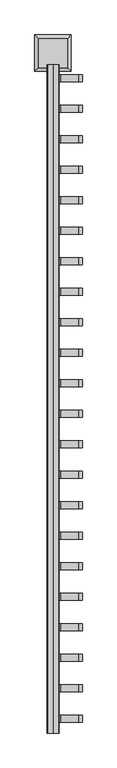
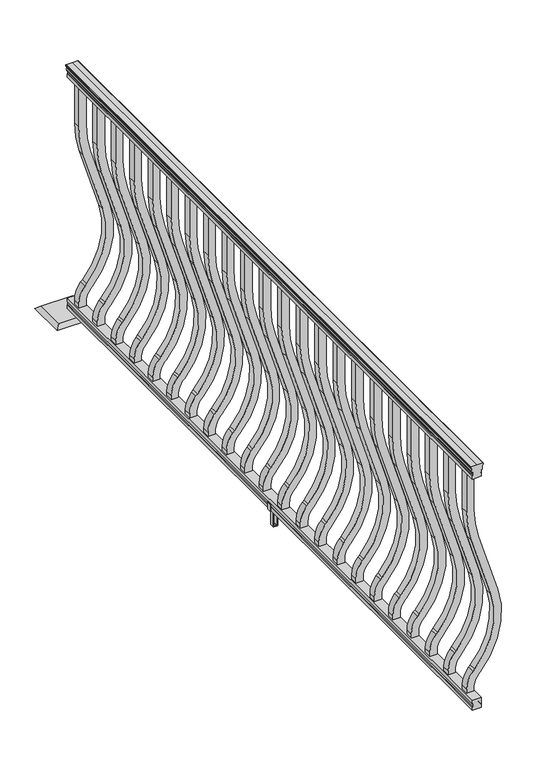
"""IFC4 building model written with IfcOpenShell, lengths in millimetres: railing geometry."""

from ifc_helpers import new_model, si_unit, point, frame, frame_2d, origin, place, context, project, spatial, polyline, circle_curve, trimmed, segment, composite_curve, outline, extrude, faceted_brep, source, transform, mapped, element, save


def railing_c321c30a(model_context):
    return source(origin(), model_context, "Body", "SolidModel", [
        extrude(outline(composite_curve([segment(polyline([(938.4043297, 817.3789699), (940.292412, 817.3789699)]), True, "CONTINUOUS"), segment(trimmed(circle_curve(frame_2d((946.0506383, 811.0642167)), 8.545951), [point((940.292412, 817.3789699))], [point((941.8546695, 818.5091562))], False, "CARTESIAN"), True, "CONTINUOUS"), segment(trimmed(circle_curve(frame_2d((945.4636577, 811.5012796)), 7.882584), [point((941.8546695, 818.5091562))], [point((949.0726458, 818.5091562))], False, "CARTESIAN"), True, "CONTINUOUS"), segment(trimmed(circle_curve(frame_2d((951.3112527, 822.0146037)), 4.1592695), [point((949.0726458, 818.5091562))], [point((951.5060812, 817.8598998))], True, "CARTESIAN"), True, "CONTINUOUS"), segment(trimmed(circle_curve(frame_2d((951.2508864, 823.3019103)), 5.4479907), [point((951.5060812, 817.8598998))], [point((955.8362083, 820.3598998))], True, "CARTESIAN"), True, "CONTINUOUS"), segment(trimmed(circle_curve(frame_2d((955.833395, 822.0687519)), 1.7088543), [point((955.8362083, 820.3598998))], [point((957.5157972, 821.7692423))], True, "CARTESIAN"), True, "CONTINUOUS"), segment(trimmed(circle_curve(frame_2d((958.6205318, 820.4518518)), 1.7192895), [point((957.5157972, 821.7692423))], [point((958.6205318, 822.1711413))], False, "CARTESIAN"), True, "CONTINUOUS"), segment(polyline([(958.6205318, 822.1711413), (959.9608158, 822.1711412)]), True, "CONTINUOUS"), segment(trimmed(circle_curve(frame_2d((959.9608158, 820.617694)), 1.5534472), [point((959.9608158, 822.1711412))], [point((961.514263, 820.617694))], False, "CARTESIAN"), True, "CONTINUOUS"), segment(polyline([(961.514263, 820.617694), (961.514263, 799.9461412), (961.514263, 779.2745884)]), True, "CONTINUOUS"), segment(trimmed(circle_curve(frame_2d((959.9608158, 779.2745884)), 1.5534472), [point((961.514263, 779.2745884))], [point((959.9608158, 777.7211412))], False, "CARTESIAN"), True, "CONTINUOUS"), segment(polyline([(959.9608158, 777.7211412), (958.6205318, 777.7211412)]), True, "CONTINUOUS"), segment(trimmed(circle_curve(frame_2d((958.6205318, 779.4404306)), 1.7192895), [point((958.6205318, 777.7211412))], [point((957.5157972, 778.1230401))], False, "CARTESIAN"), True, "CONTINUOUS"), segment(trimmed(circle_curve(frame_2d((955.833395, 777.8235305)), 1.7088543), [point((957.5157972, 778.1230401))], [point((955.8362083, 779.5323826))], True, "CARTESIAN"), True, "CONTINUOUS"), segment(trimmed(circle_curve(frame_2d((951.2508864, 776.5903721)), 5.4479907), [point((955.8362083, 779.5323826))], [point((951.5060812, 782.0323826))], True, "CARTESIAN"), True, "CONTINUOUS"), segment(trimmed(circle_curve(frame_2d((951.3112527, 777.8776786)), 4.1592695), [point((951.5060812, 782.0323826))], [point((949.0726458, 781.3831262))], True, "CARTESIAN"), True, "CONTINUOUS"), segment(trimmed(circle_curve(frame_2d((945.4636577, 788.3910028)), 7.882584), [point((949.0726458, 781.3831262))], [point((941.8546695, 781.3831262))], False, "CARTESIAN"), True, "CONTINUOUS"), segment(trimmed(circle_curve(frame_2d((946.0506383, 788.8280657)), 8.545951), [point((941.8546695, 781.3831262))], [point((940.292412, 782.5133125))], False, "CARTESIAN"), True, "CONTINUOUS"), segment(polyline([(940.292412, 782.5133125), (938.4043297, 782.5133125)]), True, "CONTINUOUS"), segment(trimmed(circle_curve(frame_2d((938.4043297, 783.8002268)), 1.2869144), [point((938.4043297, 782.5133125))], [point((938.4043297, 785.0871412))], False, "CARTESIAN"), True, "CONTINUOUS"), segment(polyline([(938.4043297, 785.0871412), (927.9048283, 785.0871412), (926.8888283, 784.0711412), (914.4, 784.0711412), (914.4, 815.8211412), (926.731013, 815.8211412), (927.747013, 814.8051412), (938.4043297, 814.8051412)]), True, "CONTINUOUS"), segment(trimmed(circle_curve(frame_2d((938.4043297, 816.0920556)), 1.2869144), [point((938.4043297, 814.8051412))], [point((938.4043297, 817.3789699))], False, "CARTESIAN"), True, "CONTINUOUS")], self_intersect=False)), frame((0.0, -43659.0786705, 0.0), z_axis=(0.0, 1.0, 0.0), x_axis=(0.0, 0.0, 1.0)), (0.0, 0.0, 1.0), 2438.4),
        extrude(outline(polyline([(76.0541976, 815.8586281), (77.3546183, 814.8426281), (87.7141717, 814.8426281), (89.0624492, 815.8586281), (101.5958781, 815.8586281), (101.5958781, 784.1086281), (89.0458024, 784.1086281), (87.6975248, 785.1246281), (77.3858283, 785.1246281), (76.0375508, 784.1086281), (63.5, 784.1086281), (63.5, 815.8586281), (76.0541976, 815.8586281)])), frame((0.0, -43659.0786705, 0.0), z_axis=(0.0, 1.0, 0.0), x_axis=(0.0, 0.0, 1.0)), (0.0, 0.0, 1.0), 2438.4),
        extrude(outline(composite_curve([segment(polyline([(768.63216, 812.6461412), (914.4, 812.6461412), (914.4, 787.2461412), (768.63216, 787.2461412)]), True, "CONTINUOUS"), segment(trimmed(circle_curve(frame_2d((768.63216, 1159.9461412)), 372.7), [point((768.63216, 787.2461412))], [point((659.6652257, 803.5313587))], False, "CARTESIAN"), True, "CONTINUOUS"), segment(polyline([(659.6652257, 803.5313587), (437.8121964, 871.3586365)]), True, "CONTINUOUS"), segment(trimmed(circle_curve(frame_2d((359.6612397, 615.7383752)), 267.3), [point((437.8121964, 871.3586365))], [point((181.5522516, 815.053398))], True, "CARTESIAN"), True, "CONTINUOUS"), segment(polyline([(181.5522516, 815.053398), (175.3955374, 809.5517248)]), True, "CONTINUOUS"), segment(trimmed(circle_curve(frame_2d((116.9587313, 874.9461412)), 87.7), [point((175.3955374, 809.5517248))], [point((116.9587313, 787.2461412))], False, "CARTESIAN"), True, "CONTINUOUS"), segment(polyline([(116.9587313, 787.2461412), (101.5958781, 787.2461412), (101.5958781, 812.6461412), (116.9587313, 812.6461412)]), True, "CONTINUOUS"), segment(trimmed(circle_curve(frame_2d((116.9587313, 874.9461412)), 62.3), [point((116.9587313, 812.6461412))], [point((158.4708524, 828.4914988))], True, "CARTESIAN"), True, "CONTINUOUS"), segment(polyline([(158.4708524, 828.4914988), (164.6275666, 833.993172)]), True, "CONTINUOUS"), segment(trimmed(circle_curve(frame_2d((359.6612397, 615.7383752)), 292.7), [point((164.6275666, 833.993172))], [point((445.2384377, 895.6487773))], False, "CARTESIAN"), True, "CONTINUOUS"), segment(polyline([(445.2384377, 895.6487773), (667.091467, 827.8214995)]), True, "CONTINUOUS"), segment(trimmed(circle_curve(frame_2d((768.63216, 1159.9461412)), 347.3), [point((667.091467, 827.8214995))], [point((768.63216, 812.6461412))], True, "CARTESIAN"), True, "CONTINUOUS")], self_intersect=False)), frame((0.0, -41283.1626705, 0.0), z_axis=(0.0, 1.0, 0.0), x_axis=(0.0, 0.0, 1.0)), (0.0, 0.0, 1.0), 25.4),
        extrude(outline(composite_curve([segment(polyline([(768.63216, 812.6461412), (914.4, 812.6461412), (914.4, 787.2461412), (768.63216, 787.2461412)]), True, "CONTINUOUS"), segment(trimmed(circle_curve(frame_2d((768.63216, 1159.9461412)), 372.7), [point((768.63216, 787.2461412))], [point((659.6652257, 803.5313587))], False, "CARTESIAN"), True, "CONTINUOUS"), segment(polyline([(659.6652257, 803.5313587), (437.8121964, 871.3586365)]), True, "CONTINUOUS"), segment(trimmed(circle_curve(frame_2d((359.6612397, 615.7383752)), 267.3), [point((437.8121964, 871.3586365))], [point((181.5522516, 815.053398))], True, "CARTESIAN"), True, "CONTINUOUS"), segment(polyline([(181.5522516, 815.053398), (175.3955374, 809.5517248)]), True, "CONTINUOUS"), segment(trimmed(circle_curve(frame_2d((116.9587313, 874.9461412)), 87.7), [point((175.3955374, 809.5517248))], [point((116.9587313, 787.2461412))], False, "CARTESIAN"), True, "CONTINUOUS"), segment(polyline([(116.9587313, 787.2461412), (101.5958781, 787.2461412), (101.5958781, 812.6461412), (116.9587313, 812.6461412)]), True, "CONTINUOUS"), segment(trimmed(circle_curve(frame_2d((116.9587313, 874.9461412)), 62.3), [point((116.9587313, 812.6461412))], [point((158.4708524, 828.4914988))], True, "CARTESIAN"), True, "CONTINUOUS"), segment(polyline([(158.4708524, 828.4914988), (164.6275666, 833.993172)]), True, "CONTINUOUS"), segment(trimmed(circle_curve(frame_2d((359.6612397, 615.7383752)), 292.7), [point((164.6275666, 833.993172))], [point((445.2384377, 895.6487773))], False, "CARTESIAN"), True, "CONTINUOUS"), segment(polyline([(445.2384377, 895.6487773), (667.091467, 827.8214995)]), True, "CONTINUOUS"), segment(trimmed(circle_curve(frame_2d((768.63216, 1159.9461412)), 347.3), [point((667.091467, 827.8214995))], [point((768.63216, 812.6461412))], True, "CARTESIAN"), True, "CONTINUOUS")], self_intersect=False)), frame((0.0, -41394.4146705, 0.0), z_axis=(0.0, 1.0, 0.0), x_axis=(0.0, 0.0, 1.0)), (0.0, 0.0, 1.0), 25.4),
        extrude(outline(composite_curve([segment(polyline([(768.63216, 812.6461412), (914.4, 812.6461412), (914.4, 787.2461412), (768.63216, 787.2461412)]), True, "CONTINUOUS"), segment(trimmed(circle_curve(frame_2d((768.63216, 1159.9461412)), 372.7), [point((768.63216, 787.2461412))], [point((659.6652257, 803.5313587))], False, "CARTESIAN"), True, "CONTINUOUS"), segment(polyline([(659.6652257, 803.5313587), (437.8121964, 871.3586365)]), True, "CONTINUOUS"), segment(trimmed(circle_curve(frame_2d((359.6612397, 615.7383752)), 267.3), [point((437.8121964, 871.3586365))], [point((181.5522516, 815.053398))], True, "CARTESIAN"), True, "CONTINUOUS"), segment(polyline([(181.5522516, 815.053398), (175.3955374, 809.5517248)]), True, "CONTINUOUS"), segment(trimmed(circle_curve(frame_2d((116.9587313, 874.9461412)), 87.7), [point((175.3955374, 809.5517248))], [point((116.9587313, 787.2461412))], False, "CARTESIAN"), True, "CONTINUOUS"), segment(polyline([(116.9587313, 787.2461412), (101.5958781, 787.2461412), (101.5958781, 812.6461412), (116.9587313, 812.6461412)]), True, "CONTINUOUS"), segment(trimmed(circle_curve(frame_2d((116.9587313, 874.9461412)), 62.3), [point((116.9587313, 812.6461412))], [point((158.4708524, 828.4914988))], True, "CARTESIAN"), True, "CONTINUOUS"), segment(polyline([(158.4708524, 828.4914988), (164.6275666, 833.993172)]), True, "CONTINUOUS"), segment(trimmed(circle_curve(frame_2d((359.6612397, 615.7383752)), 292.7), [point((164.6275666, 833.993172))], [point((445.2384377, 895.6487773))], False, "CARTESIAN"), True, "CONTINUOUS"), segment(polyline([(445.2384377, 895.6487773), (667.091467, 827.8214995)]), True, "CONTINUOUS"), segment(trimmed(circle_curve(frame_2d((768.63216, 1159.9461412)), 347.3), [point((667.091467, 827.8214995))], [point((768.63216, 812.6461412))], True, "CARTESIAN"), True, "CONTINUOUS")], self_intersect=False)), frame((0.0, -41505.6666705, 0.0), z_axis=(0.0, 1.0, 0.0), x_axis=(0.0, 0.0, 1.0)), (0.0, 0.0, 1.0), 25.4),
        extrude(outline(composite_curve([segment(polyline([(768.63216, 812.6461412), (914.4, 812.6461412), (914.4, 787.2461412), (768.63216, 787.2461412)]), True, "CONTINUOUS"), segment(trimmed(circle_curve(frame_2d((768.63216, 1159.9461412)), 372.7), [point((768.63216, 787.2461412))], [point((659.6652257, 803.5313587))], False, "CARTESIAN"), True, "CONTINUOUS"), segment(polyline([(659.6652257, 803.5313587), (437.8121964, 871.3586365)]), True, "CONTINUOUS"), segment(trimmed(circle_curve(frame_2d((359.6612397, 615.7383752)), 267.3), [point((437.8121964, 871.3586365))], [point((181.5522516, 815.053398))], True, "CARTESIAN"), True, "CONTINUOUS"), segment(polyline([(181.5522516, 815.053398), (175.3955374, 809.5517248)]), True, "CONTINUOUS"), segment(trimmed(circle_curve(frame_2d((116.9587313, 874.9461412)), 87.7), [point((175.3955374, 809.5517248))], [point((116.9587313, 787.2461412))], False, "CARTESIAN"), True, "CONTINUOUS"), segment(polyline([(116.9587313, 787.2461412), (101.5958781, 787.2461412), (101.5958781, 812.6461412), (116.9587313, 812.6461412)]), True, "CONTINUOUS"), segment(trimmed(circle_curve(frame_2d((116.9587313, 874.9461412)), 62.3), [point((116.9587313, 812.6461412))], [point((158.4708524, 828.4914988))], True, "CARTESIAN"), True, "CONTINUOUS"), segment(polyline([(158.4708524, 828.4914988), (164.6275666, 833.993172)]), True, "CONTINUOUS"), segment(trimmed(circle_curve(frame_2d((359.6612397, 615.7383752)), 292.7), [point((164.6275666, 833.993172))], [point((445.2384377, 895.6487773))], False, "CARTESIAN"), True, "CONTINUOUS"), segment(polyline([(445.2384377, 895.6487773), (667.091467, 827.8214995)]), True, "CONTINUOUS"), segment(trimmed(circle_curve(frame_2d((768.63216, 1159.9461412)), 347.3), [point((667.091467, 827.8214995))], [point((768.63216, 812.6461412))], True, "CARTESIAN"), True, "CONTINUOUS")], self_intersect=False)), frame((0.0, -41616.9186705, 0.0), z_axis=(0.0, 1.0, 0.0), x_axis=(0.0, 0.0, 1.0)), (0.0, 0.0, 1.0), 25.4),
        extrude(outline(composite_curve([segment(polyline([(768.63216, 812.6461412), (914.4, 812.6461412), (914.4, 787.2461412), (768.63216, 787.2461412)]), True, "CONTINUOUS"), segment(trimmed(circle_curve(frame_2d((768.63216, 1159.9461412)), 372.7), [point((768.63216, 787.2461412))], [point((659.6652257, 803.5313587))], False, "CARTESIAN"), True, "CONTINUOUS"), segment(polyline([(659.6652257, 803.5313587), (437.8121964, 871.3586365)]), True, "CONTINUOUS"), segment(trimmed(circle_curve(frame_2d((359.6612397, 615.7383752)), 267.3), [point((437.8121964, 871.3586365))], [point((181.5522516, 815.053398))], True, "CARTESIAN"), True, "CONTINUOUS"), segment(polyline([(181.5522516, 815.053398), (175.3955374, 809.5517248)]), True, "CONTINUOUS"), segment(trimmed(circle_curve(frame_2d((116.9587313, 874.9461412)), 87.7), [point((175.3955374, 809.5517248))], [point((116.9587313, 787.2461412))], False, "CARTESIAN"), True, "CONTINUOUS"), segment(polyline([(116.9587313, 787.2461412), (101.5958781, 787.2461412), (101.5958781, 812.6461412), (116.9587313, 812.6461412)]), True, "CONTINUOUS"), segment(trimmed(circle_curve(frame_2d((116.9587313, 874.9461412)), 62.3), [point((116.9587313, 812.6461412))], [point((158.4708524, 828.4914988))], True, "CARTESIAN"), True, "CONTINUOUS"), segment(polyline([(158.4708524, 828.4914988), (164.6275666, 833.993172)]), True, "CONTINUOUS"), segment(trimmed(circle_curve(frame_2d((359.6612397, 615.7383752)), 292.7), [point((164.6275666, 833.993172))], [point((445.2384377, 895.6487773))], False, "CARTESIAN"), True, "CONTINUOUS"), segment(polyline([(445.2384377, 895.6487773), (667.091467, 827.8214995)]), True, "CONTINUOUS"), segment(trimmed(circle_curve(frame_2d((768.63216, 1159.9461412)), 347.3), [point((667.091467, 827.8214995))], [point((768.63216, 812.6461412))], True, "CARTESIAN"), True, "CONTINUOUS")], self_intersect=False)), frame((0.0, -41728.1706705, 0.0), z_axis=(0.0, 1.0, 0.0), x_axis=(0.0, 0.0, 1.0)), (0.0, 0.0, 1.0), 25.4),
        extrude(outline(composite_curve([segment(polyline([(768.63216, 812.6461412), (914.4, 812.6461412), (914.4, 787.2461412), (768.63216, 787.2461412)]), True, "CONTINUOUS"), segment(trimmed(circle_curve(frame_2d((768.63216, 1159.9461412)), 372.7), [point((768.63216, 787.2461412))], [point((659.6652257, 803.5313587))], False, "CARTESIAN"), True, "CONTINUOUS"), segment(polyline([(659.6652257, 803.5313587), (437.8121964, 871.3586365)]), True, "CONTINUOUS"), segment(trimmed(circle_curve(frame_2d((359.6612397, 615.7383752)), 267.3), [point((437.8121964, 871.3586365))], [point((181.5522516, 815.053398))], True, "CARTESIAN"), True, "CONTINUOUS"), segment(polyline([(181.5522516, 815.053398), (175.3955374, 809.5517248)]), True, "CONTINUOUS"), segment(trimmed(circle_curve(frame_2d((116.9587313, 874.9461412)), 87.7), [point((175.3955374, 809.5517248))], [point((116.9587313, 787.2461412))], False, "CARTESIAN"), True, "CONTINUOUS"), segment(polyline([(116.9587313, 787.2461412), (101.5958781, 787.2461412), (101.5958781, 812.6461412), (116.9587313, 812.6461412)]), True, "CONTINUOUS"), segment(trimmed(circle_curve(frame_2d((116.9587313, 874.9461412)), 62.3), [point((116.9587313, 812.6461412))], [point((158.4708524, 828.4914988))], True, "CARTESIAN"), True, "CONTINUOUS"), segment(polyline([(158.4708524, 828.4914988), (164.6275666, 833.993172)]), True, "CONTINUOUS"), segment(trimmed(circle_curve(frame_2d((359.6612397, 615.7383752)), 292.7), [point((164.6275666, 833.993172))], [point((445.2384377, 895.6487773))], False, "CARTESIAN"), True, "CONTINUOUS"), segment(polyline([(445.2384377, 895.6487773), (667.091467, 827.8214995)]), True, "CONTINUOUS"), segment(trimmed(circle_curve(frame_2d((768.63216, 1159.9461412)), 347.3), [point((667.091467, 827.8214995))], [point((768.63216, 812.6461412))], True, "CARTESIAN"), True, "CONTINUOUS")], self_intersect=False)), frame((0.0, -41839.4226705, 0.0), z_axis=(0.0, 1.0, 0.0), x_axis=(0.0, 0.0, 1.0)), (0.0, 0.0, 1.0), 25.4),
        extrude(outline(composite_curve([segment(polyline([(768.63216, 812.6461412), (914.4, 812.6461412), (914.4, 787.2461412), (768.63216, 787.2461412)]), True, "CONTINUOUS"), segment(trimmed(circle_curve(frame_2d((768.63216, 1159.9461412)), 372.7), [point((768.63216, 787.2461412))], [point((659.6652257, 803.5313587))], False, "CARTESIAN"), True, "CONTINUOUS"), segment(polyline([(659.6652257, 803.5313587), (437.8121964, 871.3586365)]), True, "CONTINUOUS"), segment(trimmed(circle_curve(frame_2d((359.6612397, 615.7383752)), 267.3), [point((437.8121964, 871.3586365))], [point((181.5522516, 815.053398))], True, "CARTESIAN"), True, "CONTINUOUS"), segment(polyline([(181.5522516, 815.053398), (175.3955374, 809.5517248)]), True, "CONTINUOUS"), segment(trimmed(circle_curve(frame_2d((116.9587313, 874.9461412)), 87.7), [point((175.3955374, 809.5517248))], [point((116.9587313, 787.2461412))], False, "CARTESIAN"), True, "CONTINUOUS"), segment(polyline([(116.9587313, 787.2461412), (101.5958781, 787.2461412), (101.5958781, 812.6461412), (116.9587313, 812.6461412)]), True, "CONTINUOUS"), segment(trimmed(circle_curve(frame_2d((116.9587313, 874.9461412)), 62.3), [point((116.9587313, 812.6461412))], [point((158.4708524, 828.4914988))], True, "CARTESIAN"), True, "CONTINUOUS"), segment(polyline([(158.4708524, 828.4914988), (164.6275666, 833.993172)]), True, "CONTINUOUS"), segment(trimmed(circle_curve(frame_2d((359.6612397, 615.7383752)), 292.7), [point((164.6275666, 833.993172))], [point((445.2384377, 895.6487773))], False, "CARTESIAN"), True, "CONTINUOUS"), segment(polyline([(445.2384377, 895.6487773), (667.091467, 827.8214995)]), True, "CONTINUOUS"), segment(trimmed(circle_curve(frame_2d((768.63216, 1159.9461412)), 347.3), [point((667.091467, 827.8214995))], [point((768.63216, 812.6461412))], True, "CARTESIAN"), True, "CONTINUOUS")], self_intersect=False)), frame((0.0, -41950.6746705, 0.0), z_axis=(0.0, 1.0, 0.0), x_axis=(0.0, 0.0, 1.0)), (0.0, 0.0, 1.0), 25.4),
        extrude(outline(composite_curve([segment(polyline([(768.63216, 812.6461412), (914.4, 812.6461412), (914.4, 787.2461412), (768.63216, 787.2461412)]), True, "CONTINUOUS"), segment(trimmed(circle_curve(frame_2d((768.63216, 1159.9461412)), 372.7), [point((768.63216, 787.2461412))], [point((659.6652257, 803.5313587))], False, "CARTESIAN"), True, "CONTINUOUS"), segment(polyline([(659.6652257, 803.5313587), (437.8121964, 871.3586365)]), True, "CONTINUOUS"), segment(trimmed(circle_curve(frame_2d((359.6612397, 615.7383752)), 267.3), [point((437.8121964, 871.3586365))], [point((181.5522516, 815.053398))], True, "CARTESIAN"), True, "CONTINUOUS"), segment(polyline([(181.5522516, 815.053398), (175.3955374, 809.5517248)]), True, "CONTINUOUS"), segment(trimmed(circle_curve(frame_2d((116.9587313, 874.9461412)), 87.7), [point((175.3955374, 809.5517248))], [point((116.9587313, 787.2461412))], False, "CARTESIAN"), True, "CONTINUOUS"), segment(polyline([(116.9587313, 787.2461412), (101.5958781, 787.2461412), (101.5958781, 812.6461412), (116.9587313, 812.6461412)]), True, "CONTINUOUS"), segment(trimmed(circle_curve(frame_2d((116.9587313, 874.9461412)), 62.3), [point((116.9587313, 812.6461412))], [point((158.4708524, 828.4914988))], True, "CARTESIAN"), True, "CONTINUOUS"), segment(polyline([(158.4708524, 828.4914988), (164.6275666, 833.993172)]), True, "CONTINUOUS"), segment(trimmed(circle_curve(frame_2d((359.6612397, 615.7383752)), 292.7), [point((164.6275666, 833.993172))], [point((445.2384377, 895.6487773))], False, "CARTESIAN"), True, "CONTINUOUS"), segment(polyline([(445.2384377, 895.6487773), (667.091467, 827.8214995)]), True, "CONTINUOUS"), segment(trimmed(circle_curve(frame_2d((768.63216, 1159.9461412)), 347.3), [point((667.091467, 827.8214995))], [point((768.63216, 812.6461412))], True, "CARTESIAN"), True, "CONTINUOUS")], self_intersect=False)), frame((0.0, -42061.9266705, 0.0), z_axis=(0.0, 1.0, 0.0), x_axis=(0.0, 0.0, 1.0)), (0.0, 0.0, 1.0), 25.4),
        extrude(outline(composite_curve([segment(polyline([(768.63216, 812.6461412), (914.4, 812.6461412), (914.4, 787.2461412), (768.63216, 787.2461412)]), True, "CONTINUOUS"), segment(trimmed(circle_curve(frame_2d((768.63216, 1159.9461412)), 372.7), [point((768.63216, 787.2461412))], [point((659.6652257, 803.5313587))], False, "CARTESIAN"), True, "CONTINUOUS"), segment(polyline([(659.6652257, 803.5313587), (437.8121964, 871.3586365)]), True, "CONTINUOUS"), segment(trimmed(circle_curve(frame_2d((359.6612397, 615.7383752)), 267.3), [point((437.8121964, 871.3586365))], [point((181.5522516, 815.053398))], True, "CARTESIAN"), True, "CONTINUOUS"), segment(polyline([(181.5522516, 815.053398), (175.3955374, 809.5517248)]), True, "CONTINUOUS"), segment(trimmed(circle_curve(frame_2d((116.9587313, 874.9461412)), 87.7), [point((175.3955374, 809.5517248))], [point((116.9587313, 787.2461412))], False, "CARTESIAN"), True, "CONTINUOUS"), segment(polyline([(116.9587313, 787.2461412), (101.5958781, 787.2461412), (101.5958781, 812.6461412), (116.9587313, 812.6461412)]), True, "CONTINUOUS"), segment(trimmed(circle_curve(frame_2d((116.9587313, 874.9461412)), 62.3), [point((116.9587313, 812.6461412))], [point((158.4708524, 828.4914988))], True, "CARTESIAN"), True, "CONTINUOUS"), segment(polyline([(158.4708524, 828.4914988), (164.6275666, 833.993172)]), True, "CONTINUOUS"), segment(trimmed(circle_curve(frame_2d((359.6612397, 615.7383752)), 292.7), [point((164.6275666, 833.993172))], [point((445.2384377, 895.6487773))], False, "CARTESIAN"), True, "CONTINUOUS"), segment(polyline([(445.2384377, 895.6487773), (667.091467, 827.8214995)]), True, "CONTINUOUS"), segment(trimmed(circle_curve(frame_2d((768.63216, 1159.9461412)), 347.3), [point((667.091467, 827.8214995))], [point((768.63216, 812.6461412))], True, "CARTESIAN"), True, "CONTINUOUS")], self_intersect=False)), frame((0.0, -42173.1786705, 0.0), z_axis=(0.0, 1.0, 0.0), x_axis=(0.0, 0.0, 1.0)), (0.0, 0.0, 1.0), 25.4),
        extrude(outline(composite_curve([segment(polyline([(768.63216, 812.6461412), (914.4, 812.6461412), (914.4, 787.2461412), (768.63216, 787.2461412)]), True, "CONTINUOUS"), segment(trimmed(circle_curve(frame_2d((768.63216, 1159.9461412)), 372.7), [point((768.63216, 787.2461412))], [point((659.6652257, 803.5313587))], False, "CARTESIAN"), True, "CONTINUOUS"), segment(polyline([(659.6652257, 803.5313587), (437.8121964, 871.3586365)]), True, "CONTINUOUS"), segment(trimmed(circle_curve(frame_2d((359.6612397, 615.7383752)), 267.3), [point((437.8121964, 871.3586365))], [point((181.5522516, 815.053398))], True, "CARTESIAN"), True, "CONTINUOUS"), segment(polyline([(181.5522516, 815.053398), (175.3955374, 809.5517248)]), True, "CONTINUOUS"), segment(trimmed(circle_curve(frame_2d((116.9587313, 874.9461412)), 87.7), [point((175.3955374, 809.5517248))], [point((116.9587313, 787.2461412))], False, "CARTESIAN"), True, "CONTINUOUS"), segment(polyline([(116.9587313, 787.2461412), (101.5958781, 787.2461412), (101.5958781, 812.6461412), (116.9587313, 812.6461412)]), True, "CONTINUOUS"), segment(trimmed(circle_curve(frame_2d((116.9587313, 874.9461412)), 62.3), [point((116.9587313, 812.6461412))], [point((158.4708524, 828.4914988))], True, "CARTESIAN"), True, "CONTINUOUS"), segment(polyline([(158.4708524, 828.4914988), (164.6275666, 833.993172)]), True, "CONTINUOUS"), segment(trimmed(circle_curve(frame_2d((359.6612397, 615.7383752)), 292.7), [point((164.6275666, 833.993172))], [point((445.2384377, 895.6487773))], False, "CARTESIAN"), True, "CONTINUOUS"), segment(polyline([(445.2384377, 895.6487773), (667.091467, 827.8214995)]), True, "CONTINUOUS"), segment(trimmed(circle_curve(frame_2d((768.63216, 1159.9461412)), 347.3), [point((667.091467, 827.8214995))], [point((768.63216, 812.6461412))], True, "CARTESIAN"), True, "CONTINUOUS")], self_intersect=False)), frame((0.0, -42284.4306705, 0.0), z_axis=(0.0, 1.0, 0.0), x_axis=(0.0, 0.0, 1.0)), (0.0, 0.0, 1.0), 25.4),
        extrude(outline(composite_curve([segment(polyline([(768.63216, 812.6461412), (914.4, 812.6461412), (914.4, 787.2461412), (768.63216, 787.2461412)]), True, "CONTINUOUS"), segment(trimmed(circle_curve(frame_2d((768.63216, 1159.9461412)), 372.7), [point((768.63216, 787.2461412))], [point((659.6652257, 803.5313587))], False, "CARTESIAN"), True, "CONTINUOUS"), segment(polyline([(659.6652257, 803.5313587), (437.8121964, 871.3586365)]), True, "CONTINUOUS"), segment(trimmed(circle_curve(frame_2d((359.6612397, 615.7383752)), 267.3), [point((437.8121964, 871.3586365))], [point((181.5522516, 815.053398))], True, "CARTESIAN"), True, "CONTINUOUS"), segment(polyline([(181.5522516, 815.053398), (175.3955374, 809.5517248)]), True, "CONTINUOUS"), segment(trimmed(circle_curve(frame_2d((116.9587313, 874.9461412)), 87.7), [point((175.3955374, 809.5517248))], [point((116.9587313, 787.2461412))], False, "CARTESIAN"), True, "CONTINUOUS"), segment(polyline([(116.9587313, 787.2461412), (101.5958781, 787.2461412), (101.5958781, 812.6461412), (116.9587313, 812.6461412)]), True, "CONTINUOUS"), segment(trimmed(circle_curve(frame_2d((116.9587313, 874.9461412)), 62.3), [point((116.9587313, 812.6461412))], [point((158.4708524, 828.4914988))], True, "CARTESIAN"), True, "CONTINUOUS"), segment(polyline([(158.4708524, 828.4914988), (164.6275666, 833.993172)]), True, "CONTINUOUS"), segment(trimmed(circle_curve(frame_2d((359.6612397, 615.7383752)), 292.7), [point((164.6275666, 833.993172))], [point((445.2384377, 895.6487773))], False, "CARTESIAN"), True, "CONTINUOUS"), segment(polyline([(445.2384377, 895.6487773), (667.091467, 827.8214995)]), True, "CONTINUOUS"), segment(trimmed(circle_curve(frame_2d((768.63216, 1159.9461412)), 347.3), [point((667.091467, 827.8214995))], [point((768.63216, 812.6461412))], True, "CARTESIAN"), True, "CONTINUOUS")], self_intersect=False)), frame((0.0, -42395.6826705, 0.0), z_axis=(0.0, 1.0, 0.0), x_axis=(0.0, 0.0, 1.0)), (0.0, 0.0, 1.0), 25.4),
        extrude(outline(polyline([(88.7203979, 781.7851424), (87.9583969, 781.0231413), (61.4680023, 781.0231413), (60.7060013, 781.7851424), (60.7060013, 791.8181414), (59.9440012, 792.5801415), (0.7620001, 792.5801415), (0.0, 793.3421416), (0.0, 806.5501408), (0.762001, 807.3121419), (59.9440012, 807.3121419), (60.7060013, 808.0741419), (60.7060013, 818.107141), (61.4680023, 818.869142), (87.9583969, 818.869142), (88.7203979, 818.107141), (88.7203979, 816.0751414), (87.7043953, 815.0591416), (77.2686081, 815.0591416), (76.2526073, 816.0751414), (64.262001, 816.0751414), (63.5000019, 815.3131423), (63.5000019, 784.5791411), (64.262001, 783.817142), (76.2526073, 783.817142), (77.2686081, 784.8331418), (87.7043953, 784.8331418), (88.7203979, 783.817142), (88.7203979, 781.7851424)]), holes=[polyline([(60.7060013, 803.3751416), (59.9440012, 804.1371417), (3.9370031, 804.1371417), (3.1750031, 803.3751416), (3.1750031, 796.5171389), (3.9370003, 795.7551417), (59.9440012, 795.7551417), (60.7060013, 796.5171418), (60.7060013, 803.3751416)])]), frame((0.0, -42445.9746705, 0.0), z_axis=(0.0, 1.0, 0.0), x_axis=(0.0, 0.0, 1.0)), (0.0, 0.0, 1.0), 14.732),
        extrude(outline(composite_curve([segment(polyline([(768.63216, 812.6461412), (914.4, 812.6461412), (914.4, 787.2461412), (768.63216, 787.2461412)]), True, "CONTINUOUS"), segment(trimmed(circle_curve(frame_2d((768.63216, 1159.9461412)), 372.7), [point((768.63216, 787.2461412))], [point((659.6652257, 803.5313587))], False, "CARTESIAN"), True, "CONTINUOUS"), segment(polyline([(659.6652257, 803.5313587), (437.8121964, 871.3586365)]), True, "CONTINUOUS"), segment(trimmed(circle_curve(frame_2d((359.6612397, 615.7383752)), 267.3), [point((437.8121964, 871.3586365))], [point((181.5522516, 815.053398))], True, "CARTESIAN"), True, "CONTINUOUS"), segment(polyline([(181.5522516, 815.053398), (175.3955374, 809.5517248)]), True, "CONTINUOUS"), segment(trimmed(circle_curve(frame_2d((116.9587313, 874.9461412)), 87.7), [point((175.3955374, 809.5517248))], [point((116.9587313, 787.2461412))], False, "CARTESIAN"), True, "CONTINUOUS"), segment(polyline([(116.9587313, 787.2461412), (101.5958781, 787.2461412), (101.5958781, 812.6461412), (116.9587313, 812.6461412)]), True, "CONTINUOUS"), segment(trimmed(circle_curve(frame_2d((116.9587313, 874.9461412)), 62.3), [point((116.9587313, 812.6461412))], [point((158.4708524, 828.4914988))], True, "CARTESIAN"), True, "CONTINUOUS"), segment(polyline([(158.4708524, 828.4914988), (164.6275666, 833.993172)]), True, "CONTINUOUS"), segment(trimmed(circle_curve(frame_2d((359.6612397, 615.7383752)), 292.7), [point((164.6275666, 833.993172))], [point((445.2384377, 895.6487773))], False, "CARTESIAN"), True, "CONTINUOUS"), segment(polyline([(445.2384377, 895.6487773), (667.091467, 827.8214995)]), True, "CONTINUOUS"), segment(trimmed(circle_curve(frame_2d((768.63216, 1159.9461412)), 347.3), [point((667.091467, 827.8214995))], [point((768.63216, 812.6461412))], True, "CARTESIAN"), True, "CONTINUOUS")], self_intersect=False)), frame((0.0, -42506.9346705, 0.0), z_axis=(0.0, 1.0, 0.0), x_axis=(0.0, 0.0, 1.0)), (0.0, 0.0, 1.0), 25.4),
        extrude(outline(composite_curve([segment(polyline([(768.63216, 812.6461412), (914.4, 812.6461412), (914.4, 787.2461412), (768.63216, 787.2461412)]), True, "CONTINUOUS"), segment(trimmed(circle_curve(frame_2d((768.63216, 1159.9461412)), 372.7), [point((768.63216, 787.2461412))], [point((659.6652257, 803.5313587))], False, "CARTESIAN"), True, "CONTINUOUS"), segment(polyline([(659.6652257, 803.5313587), (437.8121964, 871.3586365)]), True, "CONTINUOUS"), segment(trimmed(circle_curve(frame_2d((359.6612397, 615.7383752)), 267.3), [point((437.8121964, 871.3586365))], [point((181.5522516, 815.053398))], True, "CARTESIAN"), True, "CONTINUOUS"), segment(polyline([(181.5522516, 815.053398), (175.3955374, 809.5517248)]), True, "CONTINUOUS"), segment(trimmed(circle_curve(frame_2d((116.9587313, 874.9461412)), 87.7), [point((175.3955374, 809.5517248))], [point((116.9587313, 787.2461412))], False, "CARTESIAN"), True, "CONTINUOUS"), segment(polyline([(116.9587313, 787.2461412), (101.5958781, 787.2461412), (101.5958781, 812.6461412), (116.9587313, 812.6461412)]), True, "CONTINUOUS"), segment(trimmed(circle_curve(frame_2d((116.9587313, 874.9461412)), 62.3), [point((116.9587313, 812.6461412))], [point((158.4708524, 828.4914988))], True, "CARTESIAN"), True, "CONTINUOUS"), segment(polyline([(158.4708524, 828.4914988), (164.6275666, 833.993172)]), True, "CONTINUOUS"), segment(trimmed(circle_curve(frame_2d((359.6612397, 615.7383752)), 292.7), [point((164.6275666, 833.993172))], [point((445.2384377, 895.6487773))], False, "CARTESIAN"), True, "CONTINUOUS"), segment(polyline([(445.2384377, 895.6487773), (667.091467, 827.8214995)]), True, "CONTINUOUS"), segment(trimmed(circle_curve(frame_2d((768.63216, 1159.9461412)), 347.3), [point((667.091467, 827.8214995))], [point((768.63216, 812.6461412))], True, "CARTESIAN"), True, "CONTINUOUS")], self_intersect=False)), frame((0.0, -42618.1866705, 0.0), z_axis=(0.0, 1.0, 0.0), x_axis=(0.0, 0.0, 1.0)), (0.0, 0.0, 1.0), 25.4),
        extrude(outline(composite_curve([segment(polyline([(768.63216, 812.6461412), (914.4, 812.6461412), (914.4, 787.2461412), (768.63216, 787.2461412)]), True, "CONTINUOUS"), segment(trimmed(circle_curve(frame_2d((768.63216, 1159.9461412)), 372.7), [point((768.63216, 787.2461412))], [point((659.6652257, 803.5313587))], False, "CARTESIAN"), True, "CONTINUOUS"), segment(polyline([(659.6652257, 803.5313587), (437.8121964, 871.3586365)]), True, "CONTINUOUS"), segment(trimmed(circle_curve(frame_2d((359.6612397, 615.7383752)), 267.3), [point((437.8121964, 871.3586365))], [point((181.5522516, 815.053398))], True, "CARTESIAN"), True, "CONTINUOUS"), segment(polyline([(181.5522516, 815.053398), (175.3955374, 809.5517248)]), True, "CONTINUOUS"), segment(trimmed(circle_curve(frame_2d((116.9587313, 874.9461412)), 87.7), [point((175.3955374, 809.5517248))], [point((116.9587313, 787.2461412))], False, "CARTESIAN"), True, "CONTINUOUS"), segment(polyline([(116.9587313, 787.2461412), (101.5958781, 787.2461412), (101.5958781, 812.6461412), (116.9587313, 812.6461412)]), True, "CONTINUOUS"), segment(trimmed(circle_curve(frame_2d((116.9587313, 874.9461412)), 62.3), [point((116.9587313, 812.6461412))], [point((158.4708524, 828.4914988))], True, "CARTESIAN"), True, "CONTINUOUS"), segment(polyline([(158.4708524, 828.4914988), (164.6275666, 833.993172)]), True, "CONTINUOUS"), segment(trimmed(circle_curve(frame_2d((359.6612397, 615.7383752)), 292.7), [point((164.6275666, 833.993172))], [point((445.2384377, 895.6487773))], False, "CARTESIAN"), True, "CONTINUOUS"), segment(polyline([(445.2384377, 895.6487773), (667.091467, 827.8214995)]), True, "CONTINUOUS"), segment(trimmed(circle_curve(frame_2d((768.63216, 1159.9461412)), 347.3), [point((667.091467, 827.8214995))], [point((768.63216, 812.6461412))], True, "CARTESIAN"), True, "CONTINUOUS")], self_intersect=False)), frame((0.0, -42729.4386705, 0.0), z_axis=(0.0, 1.0, 0.0), x_axis=(0.0, 0.0, 1.0)), (0.0, 0.0, 1.0), 25.4),
        extrude(outline(composite_curve([segment(polyline([(768.63216, 812.6461412), (914.4, 812.6461412), (914.4, 787.2461412), (768.63216, 787.2461412)]), True, "CONTINUOUS"), segment(trimmed(circle_curve(frame_2d((768.63216, 1159.9461412)), 372.7), [point((768.63216, 787.2461412))], [point((659.6652257, 803.5313587))], False, "CARTESIAN"), True, "CONTINUOUS"), segment(polyline([(659.6652257, 803.5313587), (437.8121964, 871.3586365)]), True, "CONTINUOUS"), segment(trimmed(circle_curve(frame_2d((359.6612397, 615.7383752)), 267.3), [point((437.8121964, 871.3586365))], [point((181.5522516, 815.053398))], True, "CARTESIAN"), True, "CONTINUOUS"), segment(polyline([(181.5522516, 815.053398), (175.3955374, 809.5517248)]), True, "CONTINUOUS"), segment(trimmed(circle_curve(frame_2d((116.9587313, 874.9461412)), 87.7), [point((175.3955374, 809.5517248))], [point((116.9587313, 787.2461412))], False, "CARTESIAN"), True, "CONTINUOUS"), segment(polyline([(116.9587313, 787.2461412), (101.5958781, 787.2461412), (101.5958781, 812.6461412), (116.9587313, 812.6461412)]), True, "CONTINUOUS"), segment(trimmed(circle_curve(frame_2d((116.9587313, 874.9461412)), 62.3), [point((116.9587313, 812.6461412))], [point((158.4708524, 828.4914988))], True, "CARTESIAN"), True, "CONTINUOUS"), segment(polyline([(158.4708524, 828.4914988), (164.6275666, 833.993172)]), True, "CONTINUOUS"), segment(trimmed(circle_curve(frame_2d((359.6612397, 615.7383752)), 292.7), [point((164.6275666, 833.993172))], [point((445.2384377, 895.6487773))], False, "CARTESIAN"), True, "CONTINUOUS"), segment(polyline([(445.2384377, 895.6487773), (667.091467, 827.8214995)]), True, "CONTINUOUS"), segment(trimmed(circle_curve(frame_2d((768.63216, 1159.9461412)), 347.3), [point((667.091467, 827.8214995))], [point((768.63216, 812.6461412))], True, "CARTESIAN"), True, "CONTINUOUS")], self_intersect=False)), frame((0.0, -42840.6906705, 0.0), z_axis=(0.0, 1.0, 0.0), x_axis=(0.0, 0.0, 1.0)), (0.0, 0.0, 1.0), 25.4),
        extrude(outline(composite_curve([segment(polyline([(768.63216, 812.6461412), (914.4, 812.6461412), (914.4, 787.2461412), (768.63216, 787.2461412)]), True, "CONTINUOUS"), segment(trimmed(circle_curve(frame_2d((768.63216, 1159.9461412)), 372.7), [point((768.63216, 787.2461412))], [point((659.6652257, 803.5313587))], False, "CARTESIAN"), True, "CONTINUOUS"), segment(polyline([(659.6652257, 803.5313587), (437.8121964, 871.3586365)]), True, "CONTINUOUS"), segment(trimmed(circle_curve(frame_2d((359.6612397, 615.7383752)), 267.3), [point((437.8121964, 871.3586365))], [point((181.5522516, 815.053398))], True, "CARTESIAN"), True, "CONTINUOUS"), segment(polyline([(181.5522516, 815.053398), (175.3955374, 809.5517248)]), True, "CONTINUOUS"), segment(trimmed(circle_curve(frame_2d((116.9587313, 874.9461412)), 87.7), [point((175.3955374, 809.5517248))], [point((116.9587313, 787.2461412))], False, "CARTESIAN"), True, "CONTINUOUS"), segment(polyline([(116.9587313, 787.2461412), (101.5958781, 787.2461412), (101.5958781, 812.6461412), (116.9587313, 812.6461412)]), True, "CONTINUOUS"), segment(trimmed(circle_curve(frame_2d((116.9587313, 874.9461412)), 62.3), [point((116.9587313, 812.6461412))], [point((158.4708524, 828.4914988))], True, "CARTESIAN"), True, "CONTINUOUS"), segment(polyline([(158.4708524, 828.4914988), (164.6275666, 833.993172)]), True, "CONTINUOUS"), segment(trimmed(circle_curve(frame_2d((359.6612397, 615.7383752)), 292.7), [point((164.6275666, 833.993172))], [point((445.2384377, 895.6487773))], False, "CARTESIAN"), True, "CONTINUOUS"), segment(polyline([(445.2384377, 895.6487773), (667.091467, 827.8214995)]), True, "CONTINUOUS"), segment(trimmed(circle_curve(frame_2d((768.63216, 1159.9461412)), 347.3), [point((667.091467, 827.8214995))], [point((768.63216, 812.6461412))], True, "CARTESIAN"), True, "CONTINUOUS")], self_intersect=False)), frame((0.0, -42951.9426705, 0.0), z_axis=(0.0, 1.0, 0.0), x_axis=(0.0, 0.0, 1.0)), (0.0, 0.0, 1.0), 25.4),
        extrude(outline(composite_curve([segment(polyline([(768.63216, 812.6461412), (914.4, 812.6461412), (914.4, 787.2461412), (768.63216, 787.2461412)]), True, "CONTINUOUS"), segment(trimmed(circle_curve(frame_2d((768.63216, 1159.9461412)), 372.7), [point((768.63216, 787.2461412))], [point((659.6652257, 803.5313587))], False, "CARTESIAN"), True, "CONTINUOUS"), segment(polyline([(659.6652257, 803.5313587), (437.8121964, 871.3586365)]), True, "CONTINUOUS"), segment(trimmed(circle_curve(frame_2d((359.6612397, 615.7383752)), 267.3), [point((437.8121964, 871.3586365))], [point((181.5522516, 815.053398))], True, "CARTESIAN"), True, "CONTINUOUS"), segment(polyline([(181.5522516, 815.053398), (175.3955374, 809.5517248)]), True, "CONTINUOUS"), segment(trimmed(circle_curve(frame_2d((116.9587313, 874.9461412)), 87.7), [point((175.3955374, 809.5517248))], [point((116.9587313, 787.2461412))], False, "CARTESIAN"), True, "CONTINUOUS"), segment(polyline([(116.9587313, 787.2461412), (101.5958781, 787.2461412), (101.5958781, 812.6461412), (116.9587313, 812.6461412)]), True, "CONTINUOUS"), segment(trimmed(circle_curve(frame_2d((116.9587313, 874.9461412)), 62.3), [point((116.9587313, 812.6461412))], [point((158.4708524, 828.4914988))], True, "CARTESIAN"), True, "CONTINUOUS"), segment(polyline([(158.4708524, 828.4914988), (164.6275666, 833.993172)]), True, "CONTINUOUS"), segment(trimmed(circle_curve(frame_2d((359.6612397, 615.7383752)), 292.7), [point((164.6275666, 833.993172))], [point((445.2384377, 895.6487773))], False, "CARTESIAN"), True, "CONTINUOUS"), segment(polyline([(445.2384377, 895.6487773), (667.091467, 827.8214995)]), True, "CONTINUOUS"), segment(trimmed(circle_curve(frame_2d((768.63216, 1159.9461412)), 347.3), [point((667.091467, 827.8214995))], [point((768.63216, 812.6461412))], True, "CARTESIAN"), True, "CONTINUOUS")], self_intersect=False)), frame((0.0, -43063.1946705, 0.0), z_axis=(0.0, 1.0, 0.0), x_axis=(0.0, 0.0, 1.0)), (0.0, 0.0, 1.0), 25.4),
        extrude(outline(composite_curve([segment(polyline([(768.63216, 812.6461412), (914.4, 812.6461412), (914.4, 787.2461412), (768.63216, 787.2461412)]), True, "CONTINUOUS"), segment(trimmed(circle_curve(frame_2d((768.63216, 1159.9461412)), 372.7), [point((768.63216, 787.2461412))], [point((659.6652257, 803.5313587))], False, "CARTESIAN"), True, "CONTINUOUS"), segment(polyline([(659.6652257, 803.5313587), (437.8121964, 871.3586365)]), True, "CONTINUOUS"), segment(trimmed(circle_curve(frame_2d((359.6612397, 615.7383752)), 267.3), [point((437.8121964, 871.3586365))], [point((181.5522516, 815.053398))], True, "CARTESIAN"), True, "CONTINUOUS"), segment(polyline([(181.5522516, 815.053398), (175.3955374, 809.5517248)]), True, "CONTINUOUS"), segment(trimmed(circle_curve(frame_2d((116.9587313, 874.9461412)), 87.7), [point((175.3955374, 809.5517248))], [point((116.9587313, 787.2461412))], False, "CARTESIAN"), True, "CONTINUOUS"), segment(polyline([(116.9587313, 787.2461412), (101.5958781, 787.2461412), (101.5958781, 812.6461412), (116.9587313, 812.6461412)]), True, "CONTINUOUS"), segment(trimmed(circle_curve(frame_2d((116.9587313, 874.9461412)), 62.3), [point((116.9587313, 812.6461412))], [point((158.4708524, 828.4914988))], True, "CARTESIAN"), True, "CONTINUOUS"), segment(polyline([(158.4708524, 828.4914988), (164.6275666, 833.993172)]), True, "CONTINUOUS"), segment(trimmed(circle_curve(frame_2d((359.6612397, 615.7383752)), 292.7), [point((164.6275666, 833.993172))], [point((445.2384377, 895.6487773))], False, "CARTESIAN"), True, "CONTINUOUS"), segment(polyline([(445.2384377, 895.6487773), (667.091467, 827.8214995)]), True, "CONTINUOUS"), segment(trimmed(circle_curve(frame_2d((768.63216, 1159.9461412)), 347.3), [point((667.091467, 827.8214995))], [point((768.63216, 812.6461412))], True, "CARTESIAN"), True, "CONTINUOUS")], self_intersect=False)), frame((0.0, -43174.4466705, 0.0), z_axis=(0.0, 1.0, 0.0), x_axis=(0.0, 0.0, 1.0)), (0.0, 0.0, 1.0), 25.4),
        extrude(outline(composite_curve([segment(polyline([(768.63216, 812.6461412), (914.4, 812.6461412), (914.4, 787.2461412), (768.63216, 787.2461412)]), True, "CONTINUOUS"), segment(trimmed(circle_curve(frame_2d((768.63216, 1159.9461412)), 372.7), [point((768.63216, 787.2461412))], [point((659.6652257, 803.5313587))], False, "CARTESIAN"), True, "CONTINUOUS"), segment(polyline([(659.6652257, 803.5313587), (437.8121964, 871.3586365)]), True, "CONTINUOUS"), segment(trimmed(circle_curve(frame_2d((359.6612397, 615.7383752)), 267.3), [point((437.8121964, 871.3586365))], [point((181.5522516, 815.053398))], True, "CARTESIAN"), True, "CONTINUOUS"), segment(polyline([(181.5522516, 815.053398), (175.3955374, 809.5517248)]), True, "CONTINUOUS"), segment(trimmed(circle_curve(frame_2d((116.9587313, 874.9461412)), 87.7), [point((175.3955374, 809.5517248))], [point((116.9587313, 787.2461412))], False, "CARTESIAN"), True, "CONTINUOUS"), segment(polyline([(116.9587313, 787.2461412), (101.5958781, 787.2461412), (101.5958781, 812.6461412), (116.9587313, 812.6461412)]), True, "CONTINUOUS"), segment(trimmed(circle_curve(frame_2d((116.9587313, 874.9461412)), 62.3), [point((116.9587313, 812.6461412))], [point((158.4708524, 828.4914988))], True, "CARTESIAN"), True, "CONTINUOUS"), segment(polyline([(158.4708524, 828.4914988), (164.6275666, 833.993172)]), True, "CONTINUOUS"), segment(trimmed(circle_curve(frame_2d((359.6612397, 615.7383752)), 292.7), [point((164.6275666, 833.993172))], [point((445.2384377, 895.6487773))], False, "CARTESIAN"), True, "CONTINUOUS"), segment(polyline([(445.2384377, 895.6487773), (667.091467, 827.8214995)]), True, "CONTINUOUS"), segment(trimmed(circle_curve(frame_2d((768.63216, 1159.9461412)), 347.3), [point((667.091467, 827.8214995))], [point((768.63216, 812.6461412))], True, "CARTESIAN"), True, "CONTINUOUS")], self_intersect=False)), frame((0.0, -43285.6986705, 0.0), z_axis=(0.0, 1.0, 0.0), x_axis=(0.0, 0.0, 1.0)), (0.0, 0.0, 1.0), 25.4),
        extrude(outline(composite_curve([segment(polyline([(768.63216, 812.6461412), (914.4, 812.6461412), (914.4, 787.2461412), (768.63216, 787.2461412)]), True, "CONTINUOUS"), segment(trimmed(circle_curve(frame_2d((768.63216, 1159.9461412)), 372.7), [point((768.63216, 787.2461412))], [point((659.6652257, 803.5313587))], False, "CARTESIAN"), True, "CONTINUOUS"), segment(polyline([(659.6652257, 803.5313587), (437.8121964, 871.3586365)]), True, "CONTINUOUS"), segment(trimmed(circle_curve(frame_2d((359.6612397, 615.7383752)), 267.3), [point((437.8121964, 871.3586365))], [point((181.5522516, 815.053398))], True, "CARTESIAN"), True, "CONTINUOUS"), segment(polyline([(181.5522516, 815.053398), (175.3955374, 809.5517248)]), True, "CONTINUOUS"), segment(trimmed(circle_curve(frame_2d((116.9587313, 874.9461412)), 87.7), [point((175.3955374, 809.5517248))], [point((116.9587313, 787.2461412))], False, "CARTESIAN"), True, "CONTINUOUS"), segment(polyline([(116.9587313, 787.2461412), (101.5958781, 787.2461412), (101.5958781, 812.6461412), (116.9587313, 812.6461412)]), True, "CONTINUOUS"), segment(trimmed(circle_curve(frame_2d((116.9587313, 874.9461412)), 62.3), [point((116.9587313, 812.6461412))], [point((158.4708524, 828.4914988))], True, "CARTESIAN"), True, "CONTINUOUS"), segment(polyline([(158.4708524, 828.4914988), (164.6275666, 833.993172)]), True, "CONTINUOUS"), segment(trimmed(circle_curve(frame_2d((359.6612397, 615.7383752)), 292.7), [point((164.6275666, 833.993172))], [point((445.2384377, 895.6487773))], False, "CARTESIAN"), True, "CONTINUOUS"), segment(polyline([(445.2384377, 895.6487773), (667.091467, 827.8214995)]), True, "CONTINUOUS"), segment(trimmed(circle_curve(frame_2d((768.63216, 1159.9461412)), 347.3), [point((667.091467, 827.8214995))], [point((768.63216, 812.6461412))], True, "CARTESIAN"), True, "CONTINUOUS")], self_intersect=False)), frame((0.0, -43396.9506705, 0.0), z_axis=(0.0, 1.0, 0.0), x_axis=(0.0, 0.0, 1.0)), (0.0, 0.0, 1.0), 25.4),
        extrude(outline(composite_curve([segment(polyline([(768.63216, 812.6461412), (914.4, 812.6461412), (914.4, 787.2461412), (768.63216, 787.2461412)]), True, "CONTINUOUS"), segment(trimmed(circle_curve(frame_2d((768.63216, 1159.9461412)), 372.7), [point((768.63216, 787.2461412))], [point((659.6652257, 803.5313587))], False, "CARTESIAN"), True, "CONTINUOUS"), segment(polyline([(659.6652257, 803.5313587), (437.8121964, 871.3586365)]), True, "CONTINUOUS"), segment(trimmed(circle_curve(frame_2d((359.6612397, 615.7383752)), 267.3), [point((437.8121964, 871.3586365))], [point((181.5522516, 815.053398))], True, "CARTESIAN"), True, "CONTINUOUS"), segment(polyline([(181.5522516, 815.053398), (175.3955374, 809.5517248)]), True, "CONTINUOUS"), segment(trimmed(circle_curve(frame_2d((116.9587313, 874.9461412)), 87.7), [point((175.3955374, 809.5517248))], [point((116.9587313, 787.2461412))], False, "CARTESIAN"), True, "CONTINUOUS"), segment(polyline([(116.9587313, 787.2461412), (101.5958781, 787.2461412), (101.5958781, 812.6461412), (116.9587313, 812.6461412)]), True, "CONTINUOUS"), segment(trimmed(circle_curve(frame_2d((116.9587313, 874.9461412)), 62.3), [point((116.9587313, 812.6461412))], [point((158.4708524, 828.4914988))], True, "CARTESIAN"), True, "CONTINUOUS"), segment(polyline([(158.4708524, 828.4914988), (164.6275666, 833.993172)]), True, "CONTINUOUS"), segment(trimmed(circle_curve(frame_2d((359.6612397, 615.7383752)), 292.7), [point((164.6275666, 833.993172))], [point((445.2384377, 895.6487773))], False, "CARTESIAN"), True, "CONTINUOUS"), segment(polyline([(445.2384377, 895.6487773), (667.091467, 827.8214995)]), True, "CONTINUOUS"), segment(trimmed(circle_curve(frame_2d((768.63216, 1159.9461412)), 347.3), [point((667.091467, 827.8214995))], [point((768.63216, 812.6461412))], True, "CARTESIAN"), True, "CONTINUOUS")], self_intersect=False)), frame((0.0, -43508.2026705, 0.0), z_axis=(0.0, 1.0, 0.0), x_axis=(0.0, 0.0, 1.0)), (0.0, 0.0, 1.0), 25.4),
        extrude(outline(composite_curve([segment(polyline([(768.63216, 812.6461412), (914.4, 812.6461412), (914.4, 787.2461412), (768.63216, 787.2461412)]), True, "CONTINUOUS"), segment(trimmed(circle_curve(frame_2d((768.63216, 1159.9461412)), 372.7), [point((768.63216, 787.2461412))], [point((659.6652257, 803.5313587))], False, "CARTESIAN"), True, "CONTINUOUS"), segment(polyline([(659.6652257, 803.5313587), (437.8121964, 871.3586365)]), True, "CONTINUOUS"), segment(trimmed(circle_curve(frame_2d((359.6612397, 615.7383752)), 267.3), [point((437.8121964, 871.3586365))], [point((181.5522516, 815.053398))], True, "CARTESIAN"), True, "CONTINUOUS"), segment(polyline([(181.5522516, 815.053398), (175.3955374, 809.5517248)]), True, "CONTINUOUS"), segment(trimmed(circle_curve(frame_2d((116.9587313, 874.9461412)), 87.7), [point((175.3955374, 809.5517248))], [point((116.9587313, 787.2461412))], False, "CARTESIAN"), True, "CONTINUOUS"), segment(polyline([(116.9587313, 787.2461412), (101.5958781, 787.2461412), (101.5958781, 812.6461412), (116.9587313, 812.6461412)]), True, "CONTINUOUS"), segment(trimmed(circle_curve(frame_2d((116.9587313, 874.9461412)), 62.3), [point((116.9587313, 812.6461412))], [point((158.4708524, 828.4914988))], True, "CARTESIAN"), True, "CONTINUOUS"), segment(polyline([(158.4708524, 828.4914988), (164.6275666, 833.993172)]), True, "CONTINUOUS"), segment(trimmed(circle_curve(frame_2d((359.6612397, 615.7383752)), 292.7), [point((164.6275666, 833.993172))], [point((445.2384377, 895.6487773))], False, "CARTESIAN"), True, "CONTINUOUS"), segment(polyline([(445.2384377, 895.6487773), (667.091467, 827.8214995)]), True, "CONTINUOUS"), segment(trimmed(circle_curve(frame_2d((768.63216, 1159.9461412)), 347.3), [point((667.091467, 827.8214995))], [point((768.63216, 812.6461412))], True, "CARTESIAN"), True, "CONTINUOUS")], self_intersect=False)), frame((0.0, -43619.4546705, 0.0), z_axis=(0.0, 1.0, 0.0), x_axis=(0.0, 0.0, 1.0)), (0.0, 0.0, 1.0), 25.4),
        faceted_brep([(852.5320787, -41231.862608, 28.575), (852.5320787, -41126.690733, 28.575), (747.3602037, -41126.690733, 28.575), (747.3602037, -41231.862608, 28.575), (866.5715318, -41245.9020611, 15.24), (733.3207506, -41245.9020611, 15.24), (733.3207506, -41112.6512798, 15.24), (866.5715318, -41112.6512798, 15.24)], [[[0, 1, 2, 3]], [[4, 5, 6, 7]], [[4, 0, 3, 5]], [[5, 3, 2, 6]], [[6, 2, 1, 7]], [[7, 1, 0, 4]]]),
    ])


if __name__ == "__main__":
    model = new_model("IFC4")
    model_context = context("Model", 3, world=origin())
    ifc_project = project(units=[si_unit("LENGTHUNIT", "METRE", prefix="MILLI")], contexts=[model_context])
    site = spatial("IfcSite", under=ifc_project)
    building = spatial("IfcBuilding", under=site)
    placement = place(None, origin())
    railing_shape = railing_c321c30a(model_context)
    element("IfcRailing", 1, at=placement, inside=building, context=model_context, shape_type="MappedRepresentation", body=[
        mapped(railing_shape, transform((0.0, 0.0, 0.0), x_axis=(1.0, 0.0, 0.0), y_axis=(0.0, 1.0, 0.0), z_axis=(0.0, 0.0, 1.0))),
    ])
    save(model, "model.ifc")
